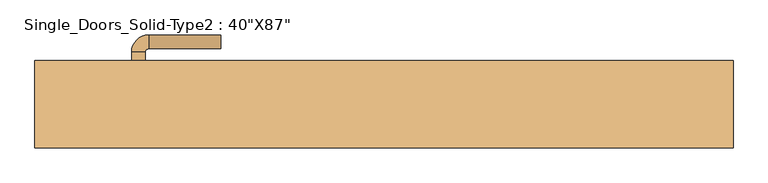
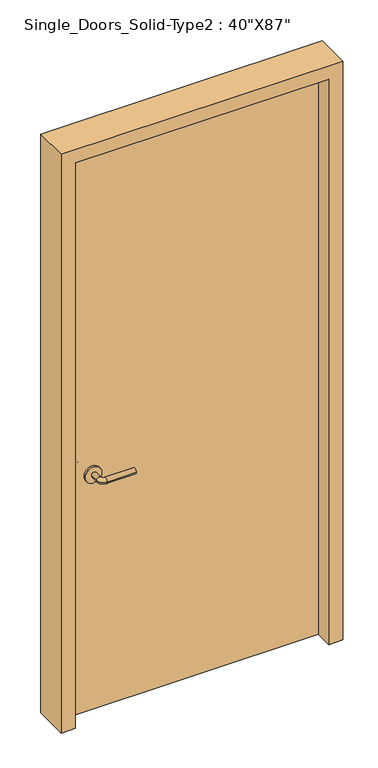
"""IFC4 building model written with IfcOpenShell, lengths in millimetres: door geometry."""

from ifc_helpers import new_model, si_unit, point, frame, frame_2d, origin, origin_with_axes, place, context, project, spatial, polyline, circle_curve, ellipse_curve, trimmed, segment, composite_curve, outline, extrude, source, transform, mapped, element, save
from ifc_brep_helpers import plane_surface, cylinder_surface, revolved_surface, advanced_brep


def door_13548978(model_context):
    return source(origin(), model_context, "Body", "SolidModel", [
        advanced_brep(
        [(-367.2, -8.0, 900.0), (-347.2, -8.0, 900.0), (-347.2, -38.0, 900.0), (-367.2, -38.0, 900.0), (-342.2, -43.0, 900.0), (-342.2, -63.0, 900.0), (-237.2, -63.0, 900.0), (-237.2, -43.0, 900.0)],
        [
            (0, 1, circle_curve(frame((-357.2, -8.0, 900.0), z_axis=(0.0, 1.0, 0.0), x_axis=(1.0, 0.0, 0.0)), 10.0)),
            (1, 0, circle_curve(frame((-357.2, -8.0, 900.0), z_axis=(0.0, 1.0, 0.0), x_axis=(1.0, 0.0, 0.0)), 10.0)),
            (1, 2),
            (2, 3, circle_curve(frame((-357.2, -38.0, 900.0), z_axis=(0.0, 1.0, 0.0), x_axis=(1.0, 0.0, 0.0)), 10.0)),
            (3, 0),
            (3, 2, circle_curve(frame((-357.2, -38.0, 900.0), z_axis=(0.0, 1.0, 0.0), x_axis=(1.0, 0.0, 0.0)), 10.0)),
            (4, 5, circle_curve(frame((-342.2, -53.0, 900.0), z_axis=(-1.0, 0.0, 0.0), x_axis=(0.0, 1.0, 0.0)), 10.0)),
            (5, 3, circle_curve(frame((-342.2, -38.0, 900.0), z_axis=(0.0, 0.0, -1.0), x_axis=(-1.0, 0.0, 0.0)), 25.0)),
            (2, 4, circle_curve(frame((-342.2, -38.0, 900.0), z_axis=(0.0, 0.0, 1.0), x_axis=(-1.0, 0.0, 0.0)), 5.0)),
            (5, 4, circle_curve(frame((-342.2, -53.0, 900.0), z_axis=(-1.0, 0.0, 0.0), x_axis=(0.0, 1.0, 0.0)), 10.0)),
            (6, 7, circle_curve(frame((-237.2, -53.0, 900.0), z_axis=(1.0, 0.0, 0.0), x_axis=(0.0, 1.0, 0.0)), 10.0)),
            (7, 6, circle_curve(frame((-237.2, -53.0, 900.0), z_axis=(1.0, 0.0, 0.0), x_axis=(0.0, 1.0, 0.0)), 10.0)),
            (4, 7),
            (6, 5),
        ],
        [
            plane_surface(frame((-357.2, -8.0, 900.0), z_axis=(0.0, 1.0, 0.0), x_axis=(0.0, 0.0, 1.0))),
            cylinder_surface(frame((-357.2, -8.0, 900.0), z_axis=(0.0, 1.0, 0.0), x_axis=(1.0, 0.0, 0.0)), 10.0),
            revolved_surface(trimmed(ellipse_curve(frame((-357.2, -38.0, 900.0), z_axis=(0.0, -1.0, 0.0), x_axis=(1.0, 0.0, 0.0)), 10.0, 10.0), [point((-367.2, -38.0, 900.0))], [point((-347.2, -38.0, 900.0))], True, "CARTESIAN"), (-342.2, -38.0, 900.0), (0.0, 0.0, -1.0)),
            revolved_surface(trimmed(ellipse_curve(frame((-357.2, -38.0, 900.0), z_axis=(0.0, -1.0, 0.0), x_axis=(1.0, 0.0, 0.0)), 10.0, 10.0), [point((-347.2, -38.0, 900.0))], [point((-367.2, -38.0, 900.0))], True, "CARTESIAN"), (-342.2, -38.0, 900.0), (0.0, 0.0, -1.0)),
            plane_surface(frame((-237.2, -53.0, 900.0), z_axis=(1.0, 0.0, 0.0), x_axis=(0.0, 0.0, 1.0))),
            cylinder_surface(frame((-342.2, -53.0, 900.0), z_axis=(-1.0, 0.0, 0.0), x_axis=(0.0, 1.0, 0.0)), 10.0),
        ],
        [
            (0, [[1, 2]]),
            (1, [[3, 4, 5, -2]]),
            (1, [[-5, 6, -3, -1]]),
            (2, [[7, 8, -4, 9]]),
            (3, [[10, -9, -6, -8]]),
            (4, [[11, 12]]),
            (5, [[13, -11, 14, -7]]),
            (5, [[-14, -12, -13, -10]]),
        ],
    ),
        extrude(outline(composite_curve([segment(trimmed(circle_curve(frame_2d((900.0, -359.7)), 30.0), [point((900.0, -389.7))], [point((900.0, -329.7))], False, "CARTESIAN"), True, "CONTINUOUS"), segment(trimmed(circle_curve(frame_2d((900.0, -359.7)), 30.0), [point((900.0, -329.7))], [point((900.0, -389.7))], False, "CARTESIAN"), True, "CONTINUOUS")], self_intersect=False)), frame((0.0, -8.0, 0.0), z_axis=(0.0, 1.0, 0.0), x_axis=(0.0, 0.0, 1.0)), (0.0, 0.0, 1.0), 8.0),
        advanced_brep(
        [(-367.2, 46.1, 900.0), (-347.2, 46.1, 900.0), (-367.2, 76.1, 900.0), (-347.2, 76.1, 900.0), (-342.2, 81.1, 900.0), (-342.2, 101.1, 900.0), (-237.2, 101.1, 900.0), (-237.2, 81.1, 900.0)],
        [
            (0, 1, circle_curve(frame((-357.2, 46.1, 900.0), z_axis=(0.0, -1.0, 0.0), x_axis=(1.0, 0.0, 0.0)), 10.0)),
            (1, 0, circle_curve(frame((-357.2, 46.1, 900.0), z_axis=(0.0, -1.0, 0.0), x_axis=(1.0, 0.0, 0.0)), 10.0)),
            (0, 2),
            (2, 3, circle_curve(frame((-357.2, 76.1, 900.0), z_axis=(0.0, -1.0, 0.0), x_axis=(1.0, 0.0, 0.0)), 10.0)),
            (3, 1),
            (3, 2, circle_curve(frame((-357.2, 76.1, 900.0), z_axis=(0.0, -1.0, 0.0), x_axis=(1.0, 0.0, 0.0)), 10.0)),
            (4, 3, circle_curve(frame((-342.2, 76.1, 900.0), z_axis=(0.0, 0.0, 1.0), x_axis=(-1.0, 0.0, 0.0)), 5.0)),
            (2, 5, circle_curve(frame((-342.2, 76.1, 900.0), z_axis=(0.0, 0.0, -1.0), x_axis=(-1.0, 0.0, 0.0)), 25.0)),
            (5, 4, circle_curve(frame((-342.2, 91.1, 900.0), z_axis=(-1.0, 0.0, 0.0), x_axis=(0.0, -1.0, 0.0)), 10.0)),
            (4, 5, circle_curve(frame((-342.2, 91.1, 900.0), z_axis=(-1.0, 0.0, 0.0), x_axis=(0.0, -1.0, 0.0)), 10.0)),
            (6, 7, circle_curve(frame((-237.2, 91.1, 900.0), z_axis=(1.0, 0.0, 0.0), x_axis=(0.0, -1.0, 0.0)), 10.0)),
            (7, 6, circle_curve(frame((-237.2, 91.1, 900.0), z_axis=(1.0, 0.0, 0.0), x_axis=(0.0, -1.0, 0.0)), 10.0)),
            (5, 6),
            (7, 4),
        ],
        [
            plane_surface(frame((-357.2, 46.1, 900.0), z_axis=(0.0, -1.0, 0.0), x_axis=(0.0, 0.0, 1.0))),
            cylinder_surface(frame((-357.2, 46.1, 900.0), z_axis=(0.0, -1.0, 0.0), x_axis=(1.0, 0.0, 0.0)), 10.0),
            revolved_surface(trimmed(ellipse_curve(frame((-357.2, 76.1, 900.0), z_axis=(0.0, -1.0, 0.0), x_axis=(1.0, 0.0, 0.0)), 10.0, 10.0), [point((-367.2, 76.1, 900.0))], [point((-347.2, 76.1, 900.0))], True, "CARTESIAN"), (-342.2, 76.1, 900.0), (0.0, 0.0, -1.0)),
            revolved_surface(trimmed(ellipse_curve(frame((-357.2, 76.1, 900.0), z_axis=(0.0, -1.0, 0.0), x_axis=(1.0, 0.0, 0.0)), 10.0, 10.0), [point((-347.2, 76.1, 900.0))], [point((-367.2, 76.1, 900.0))], True, "CARTESIAN"), (-342.2, 76.1, 900.0), (0.0, 0.0, -1.0)),
            plane_surface(frame((-237.2, 91.1, 900.0), z_axis=(1.0, 0.0, 0.0), x_axis=(0.0, 0.0, 1.0))),
            cylinder_surface(frame((-342.2, 91.1, 900.0), z_axis=(-1.0, 0.0, 0.0), x_axis=(0.0, -1.0, 0.0)), 10.0),
        ],
        [
            (0, [[1, 2]]),
            (1, [[-1, 3, 4, 5]]),
            (1, [[-2, -5, 6, -3]]),
            (2, [[7, -4, 8, 9]]),
            (3, [[-8, -6, -7, 10]]),
            (4, [[11, 12]]),
            (5, [[-9, 13, -12, 14]]),
            (5, [[-10, -14, -11, -13]]),
        ],
    ),
        extrude(outline(composite_curve([segment(trimmed(circle_curve(frame_2d((900.0, -359.7)), 30.0), [point((900.0, -389.7))], [point((900.0, -329.7))], False, "CARTESIAN"), True, "CONTINUOUS"), segment(trimmed(circle_curve(frame_2d((900.0, -359.7)), 30.0), [point((900.0, -329.7))], [point((900.0, -389.7))], False, "CARTESIAN"), True, "CONTINUOUS")], self_intersect=False)), frame((0.0, 38.1, 0.0), z_axis=(0.0, 1.0, 0.0), x_axis=(0.0, 0.0, 1.0)), (0.0, 0.0, 1.0), 8.0),
        extrude(outline(polyline([(0.0, -508.0), (0.0, -457.2), (2159.0, -457.2), (2159.0, 457.2), (0.0, 457.2), (0.0, 508.0), (2209.8, 508.0), (2209.8, -508.0), (0.0, -508.0)])), frame((0.0, -63.5, 0.0), z_axis=(0.0, 1.0, 0.0), x_axis=(0.0, 0.0, 1.0)), (0.0, 0.0, 1.0), 127.0),
        extrude(outline(polyline([(457.2, 0.0), (-457.2, 0.0), (-457.2, 38.1), (457.2, 38.1), (457.2, 0.0)])), origin_with_axes(), (0.0, 0.0, 1.0), 2159.0),
    ])


if __name__ == "__main__":
    model = new_model("IFC4")
    model_context = context("Model", 3, world=origin())
    ifc_project = project(units=[si_unit("LENGTHUNIT", "METRE", prefix="MILLI")], contexts=[model_context])
    site = spatial("IfcSite", under=ifc_project)
    building = spatial("IfcBuilding", under=site)
    placement = place(None, origin())
    door_shape = door_13548978(model_context)
    element("IfcDoor", 1, ObjectType="Single_Doors_Solid-Type2 : 40\"X87\"", at=placement, inside=building, context=model_context, shape_type="MappedRepresentation", body=[
        mapped(door_shape, transform((0.0, 0.0, 0.0), x_axis=(1.0, 0.0, 0.0), y_axis=(0.0, 1.0, 0.0), z_axis=(0.0, 0.0, 1.0))),
    ])
    save(model, "model.ifc")
